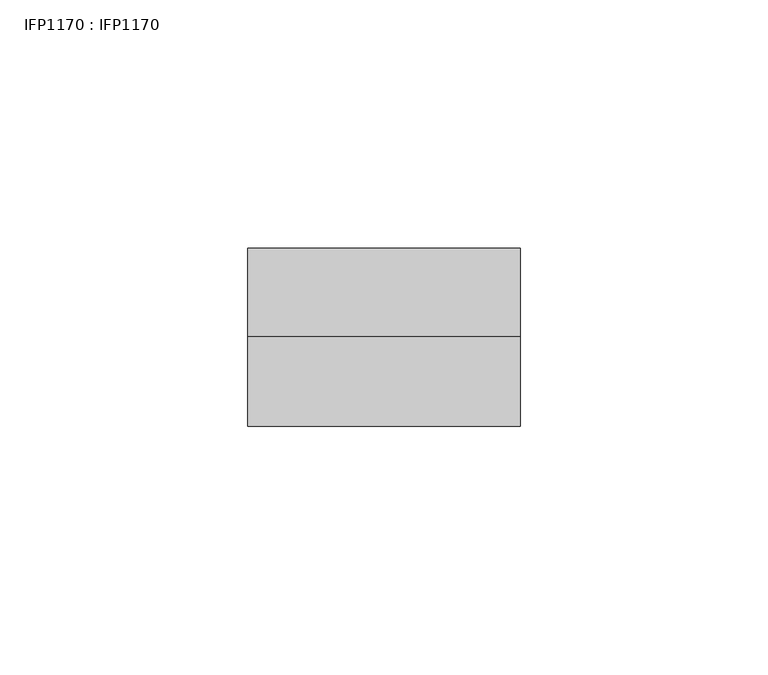
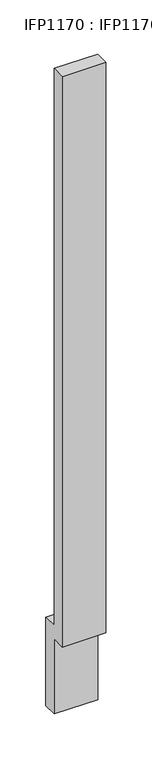
"""IFC4 building model written with IfcOpenShell, lengths in millimetres: proxy geometry, IFP1170 : IFP1170."""

import ifcopenshell
import ifcopenshell.guid

model = None  # the IFC model being written
_history = None  # IfcOwnerHistory: only IFC2X3 demands one
_inside = {}  # id of a spatial element -> (the spatial element, [elements in it])
_under = {}  # id of a project, library or spatial element -> (it, [spatial elements below it])
_declared = {}  # id of a project -> (the project, [libraries it declares])
_typed = {}  # id of a type object -> (the type object, [elements of that type])
_made_of = {}  # id of a material, layer set ... -> (it, [elements and type objects made of it])


def new_model(schema):
    """Start an empty IFC model of exactly this schema.

    Asked for "IFC4X3", IfcOpenShell would pick the latest addendum, in which some entities
    have other attributes; the version numbers below select the first issue.
    IFC2X3 requires an IfcOwnerHistory on every rooted entity: one is made here for all.
    """
    global model, _history
    if schema == "IFC4X3":
        model = ifcopenshell.file(schema_version=(4, 3, 0, 0))
    else:
        model = ifcopenshell.file(schema=schema)
    _inside.clear()
    _under.clear()
    _declared.clear()
    _typed.clear()
    _made_of.clear()
    _history = None
    if model.schema == "IFC2X3":
        org = make("IfcOrganization", Name="unknown")
        user = make(
            "IfcPersonAndOrganization",
            ThePerson=make("IfcPerson", FamilyName="unknown"),
            TheOrganization=org,
        )
        app = make(
            "IfcApplication",
            ApplicationDeveloper=org,
            Version="unknown",
            ApplicationFullName="unknown",
            ApplicationIdentifier="unknown",
        )
        _history = make(
            "IfcOwnerHistory",
            OwningUser=user,
            OwningApplication=app,
            ChangeAction="ADDED",
            CreationDate=0,
        )
    return model


def make(cls, **values):
    """One entity of the class cls with the attributes given. An attribute that is None is left unset."""
    return model.create_entity(
        cls, **{name: value for name, value in values.items() if value is not None}
    )


def rooted(cls, **values):
    """An entity with a GlobalId (a new one), such as an element, a storey or a relation."""
    return make(cls, GlobalId=ifcopenshell.guid.new(), OwnerHistory=_history, **values)


def si_unit(unit_type, name, prefix=None):
    """IfcSIUnit, for example si_unit("LENGTHUNIT", "METRE", prefix="MILLI")."""
    return make("IfcSIUnit", UnitType=unit_type, Prefix=prefix, Name=name)


def assignment(units):
    """IfcUnitAssignment: the units of a project."""
    return None if units is None else make("IfcUnitAssignment", Units=units)


def point(xyz):
    """IfcCartesianPoint."""
    return None if xyz is None else make("IfcCartesianPoint", Coordinates=xyz)


def direction(xyz):
    """IfcDirection."""
    return None if xyz is None else make("IfcDirection", DirectionRatios=xyz)


def frame(location, z_axis=None, x_axis=None):
    """IfcAxis2Placement3D, a coordinate frame: its origin and axes. An axis left out is left unset."""
    return make(
        "IfcAxis2Placement3D",
        Location=point(location),
        Axis=direction(z_axis),
        RefDirection=direction(x_axis),
    )


def origin():
    """The frame at (0, 0, 0) with its axes left unset."""
    return frame((0.0, 0.0, 0.0))


def place(relative_to, where):
    """IfcLocalPlacement: puts the frame where relative to a parent placement (None: the world)."""
    return make(
        "IfcLocalPlacement", PlacementRelTo=relative_to, RelativePlacement=where
    )


def context(
    kind, dimensions, precision=None, world=None, true_north=None, identifier=None
):
    """IfcGeometricRepresentationContext, for example the 3D "Model" context."""
    return make(
        "IfcGeometricRepresentationContext",
        ContextIdentifier=identifier,
        ContextType=kind,
        CoordinateSpaceDimension=dimensions,
        Precision=precision,
        WorldCoordinateSystem=world,
        TrueNorth=true_north,
    )


def project(units=None, contexts=None):
    """IfcProject with its units and contexts."""
    return rooted(
        "IfcProject",
        Name="project",
        RepresentationContexts=contexts,
        UnitsInContext=assignment(units),
    )


def spatial(cls, under=None, at=None, **own):
    """A site, building, storey or space (cls), placed at a placement, below another one or the project."""
    s = rooted(cls, ObjectPlacement=at, **own)
    if under is not None:
        _under.setdefault(under.id(), (under, []))[1].append(s)
    return s


def polyline(points):
    """IfcPolyline through the points."""
    return make("IfcPolyline", Points=[point(p) for p in points])


def outline(outer, holes=None, kind="AREA"):
    """IfcArbitraryClosedProfileDef: a profile drawn as a closed curve; with holes, ...WithVoids."""
    if holes is None:
        return make("IfcArbitraryClosedProfileDef", ProfileType=kind, OuterCurve=outer)
    return make(
        "IfcArbitraryProfileDefWithVoids",
        ProfileType=kind,
        OuterCurve=outer,
        InnerCurves=holes,
    )


def extrude(swept, where, along, depth):
    """IfcExtrudedAreaSolid: the profile swept, set in the frame where, extruded along a direction by depth."""
    return make(
        "IfcExtrudedAreaSolid",
        SweptArea=swept,
        Position=where,
        ExtrudedDirection=direction(along),
        Depth=depth,
    )


def shape(context_of_items, identifier, shape_type, items):
    """IfcShapeRepresentation: the items that make up one representation, for example the "Body"."""
    return make(
        "IfcShapeRepresentation",
        ContextOfItems=context_of_items,
        RepresentationIdentifier=identifier,
        RepresentationType=shape_type,
        Items=items,
    )


def source(mapping_origin, context_of_items, identifier, shape_type, items):
    """IfcRepresentationMap: a shape defined once, which mapped items show again and again."""
    return make(
        "IfcRepresentationMap",
        MappingOrigin=mapping_origin,
        MappedRepresentation=shape(context_of_items, identifier, shape_type, items),
    )


def transform(
    local_origin,
    x_axis=None,
    y_axis=None,
    z_axis=None,
    scale=None,
    scale2=None,
    scale3=None,
    uniform=True,
):
    """IfcCartesianTransformationOperator3D, or its non-uniform kind. x_axis, y_axis, z_axis: its Axis1, 2, 3."""
    if uniform:
        return make(
            "IfcCartesianTransformationOperator3D",
            Axis1=direction(x_axis),
            Axis2=direction(y_axis),
            LocalOrigin=point(local_origin),
            Scale=scale,
            Axis3=direction(z_axis),
        )
    return make(
        "IfcCartesianTransformationOperator3DnonUniform",
        Axis1=direction(x_axis),
        Axis2=direction(y_axis),
        LocalOrigin=point(local_origin),
        Scale=scale,
        Axis3=direction(z_axis),
        Scale2=scale2,
        Scale3=scale3,
    )


def mapped(mapping_source, mapping_target):
    """IfcMappedItem: shows the shape of a source again, moved by a transform."""
    return make(
        "IfcMappedItem", MappingSource=mapping_source, MappingTarget=mapping_target
    )


def made_of(thing, what):
    """Note that an element or type object is made of a material, layer set ...; save() writes the relation."""
    if what is not None:
        _made_of.setdefault(what.id(), (what, []))[1].append(thing)
    return thing


def element(
    cls,
    number,
    at=None,
    inside=None,
    cuts=None,
    type_object=None,
    material=None,
    context=None,
    identifier="Body",
    shape_type=None,
    held_by="IfcProductDefinitionShape",
    body=None,
    shapes=None,
    **own,
):
    """One element of the class cls, such as IfcWall. Its Tag is "e" and its number.

    at: its placement. inside: the storey or other place that contains it. cuts: it is an
    opening in that element (IfcRelVoidsElement). A single representation is given by context,
    identifier, shape_type and body (its items); several are given by shapes. held_by: the class
    of the entity that holds the representations. save() writes the other relations.
    """
    e = rooted(cls, Tag="e%d" % number, ObjectPlacement=at, **own)
    if body is not None:
        shapes = [shape(context, identifier, shape_type, body)]
    if shapes is not None:
        e.Representation = make(held_by, Representations=shapes)
    if inside is not None:
        _inside.setdefault(inside.id(), (inside, []))[1].append(e)
    if cuts is not None:
        rooted(
            "IfcRelVoidsElement", RelatingBuildingElement=cuts, RelatedOpeningElement=e
        )
    if type_object is not None:
        _typed.setdefault(type_object.id(), (type_object, []))[1].append(e)
    return made_of(e, material)


def aggregate(whole, parts):
    """IfcRelAggregates: a whole, such as a stair, and the parts it consists of."""
    return rooted("IfcRelAggregates", RelatingObject=whole, RelatedObjects=parts)


def save(model, path):
    """Write the relations noted so far, then the file.

    IfcRelAggregates (storeys below a building ...), IfcRelContainedInSpatialStructure (elements
    in a storey), IfcRelDefinesByType, IfcRelAssociatesMaterial and IfcRelDeclares: one each for
    every whole, place, type object, material and project.
    """
    for whole, parts in _under.values():
        aggregate(whole, parts)
    for where, things in _inside.values():
        rooted(
            "IfcRelContainedInSpatialStructure",
            RelatedElements=things,
            RelatingStructure=where,
        )
    for kind, things in _typed.values():
        rooted("IfcRelDefinesByType", RelatedObjects=things, RelatingType=kind)
    for what, things in _made_of.values():
        rooted("IfcRelAssociatesMaterial", RelatedObjects=things, RelatingMaterial=what)
    for by, libraries in _declared.values():
        rooted("IfcRelDeclares", RelatingContext=by, RelatedDefinitions=libraries)
    model.write(path)


def ifp1170_ifp1170_ef547227(model_context):
    return source(origin(), model_context, "Body", "SweptSolid", [
        extrude(outline(polyline([(-36.0, 100.0), (-36.0, 860.0), (-18.0, 860.0), (-18.0, 118.0), (0.0, 118.0), (0.0, 0.0), (-18.0, 0.0), (-18.0, 100.0), (-36.0, 100.0)])), frame((0.0, 0.0, 0.0), z_axis=(1.0, 0.0, 0.0), x_axis=(0.0, 1.0, 0.0)), (0.0, 0.0, 1.0), 55.0),
    ])


if __name__ == "__main__":
    model = new_model("IFC4")
    model_context = context("Model", 3, world=origin())
    ifc_project = project(units=[si_unit("LENGTHUNIT", "METRE", prefix="MILLI")], contexts=[model_context])
    site = spatial("IfcSite", under=ifc_project)
    building = spatial("IfcBuilding", under=site)
    placement = place(None, origin())
    ifp1170_ifp1170_shape = ifp1170_ifp1170_ef547227(model_context)
    element("IfcBuildingElementProxy", 1, Name="IFP1170 : IFP1170", ObjectType="IFP1170 : IFP1170", at=placement, inside=building, context=model_context, shape_type="MappedRepresentation", body=[
        mapped(ifp1170_ifp1170_shape, transform((0.0, 0.0, 0.0), x_axis=(1.0, 0.0, 0.0), y_axis=(0.0, 1.0, 0.0), z_axis=(0.0, 0.0, 1.0))),
    ])
    save(model, "model.ifc")
